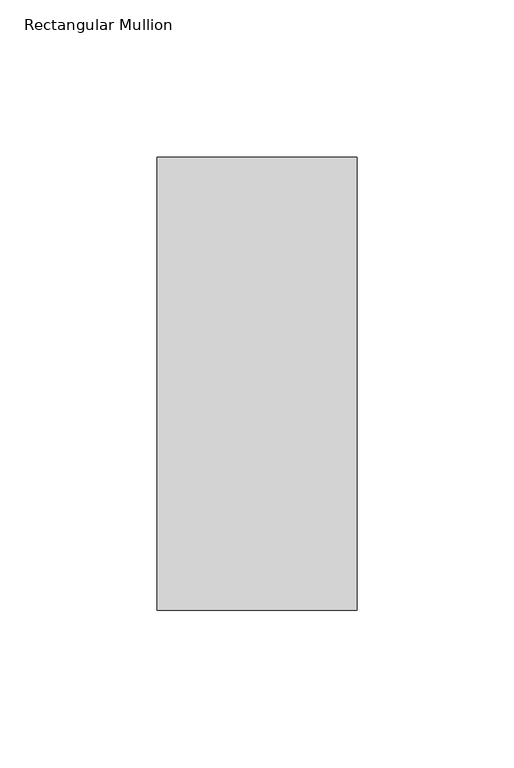
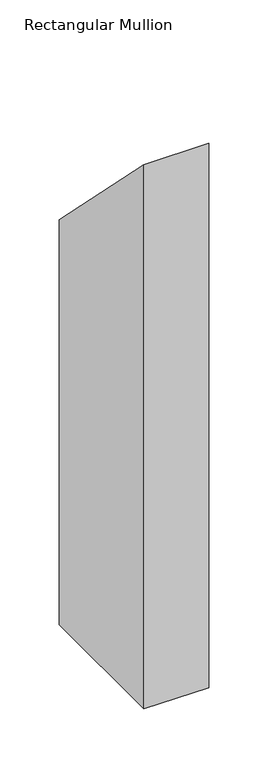
"""IFC4 building model written with IfcOpenShell, lengths in millimetres: member geometry, Rectangular Mullion."""

from ifc_helpers import new_model, si_unit, frame, origin, place, context, project, spatial, polyline, outline, extrude, source, transform, mapped, element, save


def rectangular_mullion_21534ef6(model_context):
    return source(origin(), model_context, "Body", "SweptSolid", [
        extrude(outline(polyline([(46.7447302, -46.7447302), (190.7881312, -190.7881312), (190.7881312, -609.56825), (46.7447302, -609.56825), (46.7447302, -46.7447302)])), frame((-63.4999996, 0.0, 0.0), z_axis=(1.0, 0.0, 0.0), x_axis=(0.0, 1.0, 0.0)), (0.0, 0.0, 1.0), 63.5),
    ])


if __name__ == "__main__":
    model = new_model("IFC4")
    model_context = context("Model", 3, world=origin())
    ifc_project = project(units=[si_unit("LENGTHUNIT", "METRE", prefix="MILLI")], contexts=[model_context])
    site = spatial("IfcSite", under=ifc_project)
    building = spatial("IfcBuilding", under=site)
    placement = place(None, origin())
    rectangular_mullion_shape = rectangular_mullion_21534ef6(model_context)
    element("IfcMember", 1, ObjectType="Rectangular Mullion", at=placement, inside=building, context=model_context, shape_type="MappedRepresentation", body=[
        mapped(rectangular_mullion_shape, transform((0.0, 0.0, 0.0), x_axis=(1.0, 0.0, 0.0), y_axis=(0.0, 1.0, 0.0), z_axis=(0.0, 0.0, 1.0))),
    ])
    save(model, "model.ifc")
